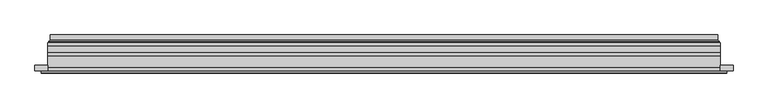
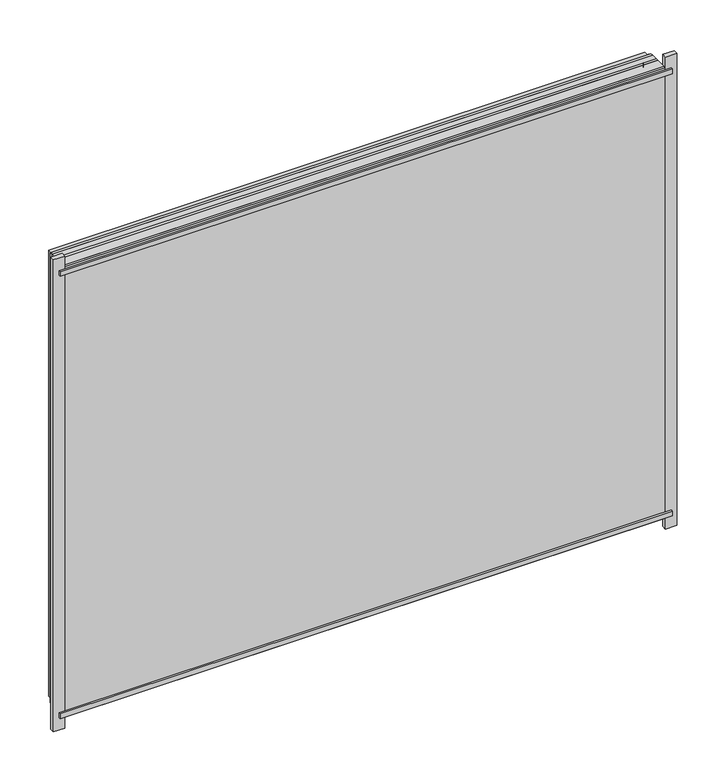
"""IFC4 building model written with IfcOpenShell, lengths in millimetres: plate geometry."""

from ifc_helpers import new_model, si_unit, frame, origin, place, context, project, spatial, polyline, ellipse_curve, outline, extrude, source, transform, mapped, element, save
from ifc_brep_helpers import plane_surface, cylinder_surface, revolved_surface, advanced_brep


def plate_6d37d1eb(model_context):
    return source(origin(), model_context, "Body", "SolidModel", [
        extrude(outline(polyline([(28.0, -579.0), (28.0, 579.0), (936.0000001, 579.0), (936.0000001, -579.0), (28.0, -579.0)]), holes=[polyline([(33.0, 574.0), (33.0, -574.0), (931.0000001, -574.0), (931.0000001, 574.0), (33.0, 574.0)])]), frame((0.0, 0.0, 0.0), z_axis=(0.0, 1.0, 0.0), x_axis=(0.0, 0.0, 1.0)), (0.0, 0.0, 1.0), 12.0),
        extrude(outline(polyline([(6.0, -601.0), (6.0, 601.0), (958.0000001, 601.0), (958.0000001, -601.0), (6.0, -601.0)]), holes=[polyline([(28.0, 579.0), (28.0, -579.0), (936.0000001, -579.0), (936.0000001, 579.0), (28.0, 579.0)])]), frame((0.0, -26.0, 0.0), z_axis=(0.0, 1.0, 0.0), x_axis=(0.0, 0.0, 1.0)), (0.0, 0.0, 1.0), 20.0),
        extrude(outline(polyline([(6.0, -601.0), (6.0, 601.0), (958.0000001, 601.0), (958.0000001, -601.0), (6.0, -601.0)]), holes=[polyline([(28.0, 579.0), (28.0, -579.0), (936.0000001, -579.0), (936.0000001, 579.0), (28.0, 579.0)])]), frame((0.0, -26.0, 0.0), z_axis=(0.0, 1.0, 0.0), x_axis=(0.0, 0.0, 1.0)), (0.0, 0.0, 1.0), 20.0),
        extrude(outline(polyline([(601.0, -6.0), (-601.0, -6.0), (-601.0, 0.0), (601.0, 0.0), (601.0, -6.0)])), frame((0.0, 0.0, 6.0), z_axis=(0.0, 0.0, 1.0), x_axis=(1.0, 0.0, 0.0)), (0.0, 0.0, 1.0), 952.0000001),
        extrude(outline(polyline([(612.5, -36.0), (-612.5, -36.0), (-612.5, -32.0), (612.5, -32.0), (612.5, -36.0)])), frame((0.0, 0.0, 944.5000001), z_axis=(0.0, 0.0, 1.0), x_axis=(1.0, 0.0, 0.0)), (0.0, 0.0, 1.0), 10.0),
        extrude(outline(polyline([(612.5, -36.0), (-612.5, -36.0), (-612.5, -32.0), (612.5, -32.0), (612.5, -36.0)])), frame((0.0, 0.0, 9.5), z_axis=(0.0, 0.0, 1.0), x_axis=(1.0, 0.0, 0.0)), (0.0, 0.0, 1.0), 10.0),
        extrude(outline(polyline([(-624.0, -32.0), (-624.0, -22.51), (-601.0, -22.51), (-601.0, -32.0), (-624.0, -32.0)])), frame((0.0, 0.0, -17.0), z_axis=(0.0, 0.0, 1.0), x_axis=(1.0, 0.0, 0.0)), (0.0, 0.0, 1.0), 998.0000001),
        extrude(outline(polyline([(624.0, -32.0), (601.0, -32.0), (601.0, -22.51), (624.0, -22.51), (624.0, -32.0)])), frame((0.0, 0.0, -17.0), z_axis=(0.0, 0.0, 1.0), x_axis=(1.0, 0.0, 0.0)), (0.0, 0.0, 1.0), 998.0000001),
        extrude(outline(polyline([(6.0, -601.0), (6.0, 601.0), (958.0000001, 601.0), (958.0000001, -601.0), (6.0, -601.0)]), holes=[polyline([(28.0, 579.0), (28.0, -579.0), (936.0000001, -579.0), (936.0000001, 579.0), (28.0, 579.0)])]), frame((0.0, 0.0, 0.0), z_axis=(0.0, 1.0, 0.0), x_axis=(0.0, 0.0, 1.0)), (0.0, 0.0, 1.0), 12.0),
        extrude(outline(polyline([(28.0, -579.0), (28.0, 579.0), (936.0000001, 579.0), (936.0000001, -579.0), (28.0, -579.0)]), holes=[polyline([(33.0, 574.0), (33.0, -574.0), (931.0000001, -574.0), (931.0000001, 574.0), (33.0, 574.0)])]), frame((0.0, -26.0, 0.0), z_axis=(0.0, 1.0, 0.0), x_axis=(0.0, 0.0, 1.0)), (0.0, 0.0, 1.0), 20.0),
        extrude(outline(polyline([(601.0, 18.0), (601.0, 12.0), (-601.0, 12.0), (-601.0, 18.0), (601.0, 18.0)])), frame((0.0, 0.0, 6.0), z_axis=(0.0, 0.0, 1.0), x_axis=(1.0, 0.0, 0.0)), (0.0, 0.0, 1.0), 952.0000001),
        extrude(outline(polyline([(-601.0, -32.0), (-601.0, -26.0), (601.0, -26.0), (601.0, -32.0), (-601.0, -32.0)])), frame((0.0, 0.0, 6.0), z_axis=(0.0, 0.0, 1.0), x_axis=(1.0, 0.0, 0.0)), (0.0, 0.0, 1.0), 952.0000001),
        advanced_brep(
        [(587.5000103, 32.0, 19.4999897), (-587.5000103, 32.0, 19.4999897), (-587.5000103, 21.9110895, 19.4999897), (587.5000103, 21.9110895, 19.4999897), (596.4986526, 23.3044663, 10.5013474), (-596.4986526, 23.3044663, 10.5013474), (-596.4986526, 32.0, 10.5013474), (596.4986526, 32.0, 10.5013474), (598.1689727, 20.9442833, 8.8310273), (-598.1689727, 20.9442833, 8.8310273), (597.7544044, 18.0034569, 9.2455956), (-597.7544044, 18.0034569, 9.2455956), (586.5620948, 20.2163959, 20.4379052), (-586.5620948, 20.2163959, 20.4379052), (-587.1992268, 18.0000006, 19.8007732), (587.1992268, 18.0000006, 19.8007732), (-587.5000103, 32.0, 944.5000104), (-587.5000103, 21.9110895, 944.5000104), (-596.4986526, 23.3044663, 953.4986527), (-596.4986526, 32.0, 953.4986527), (-598.1689727, 20.9442833, 955.1689729), (-597.7544044, 18.0034569, 954.7544045), (-586.5620948, 20.2163959, 943.5620949), (-587.1992268, 18.0000006, 944.1992269), (587.5000103, 32.0, 944.5000104), (587.5000103, 21.9110895, 944.5000104), (596.4986526, 23.3044663, 953.4986527), (596.4986526, 32.0, 953.4986527), (598.1689727, 20.9442833, 955.1689729), (597.7544044, 18.0034569, 954.7544045), (586.5620948, 20.2163959, 943.5620949), (587.1992268, 18.0000006, 944.1992269)],
        [
            (0, 1),
            (1, 2),
            (2, 3),
            (3, 0),
            (4, 5),
            (5, 6),
            (6, 7),
            (7, 4),
            (8, 9),
            (9, 5, ellipse_curve(frame((-598.8086832, 23.1681522, 8.1913168), z_axis=(-0.7071067811865475, 0.0, 0.7071067811865475), x_axis=(-0.7071067811865476, 0.0, -0.7071067811865474)), 3.2725594, 2.314049)),
            (4, 8, ellipse_curve(frame((598.8086832, 23.1681522, 8.1913168), z_axis=(0.7071067811865475, 0.0, 0.7071067811865475), x_axis=(-0.7071067811865476, 0.0, 0.7071067811865474)), 3.2725594, 2.314049)),
            (10, 11),
            (11, 9, ellipse_curve(frame((-597.7544044, 19.5030909, 9.2455956), z_axis=(0.7071067811865475, 0.0, -0.7071067811865475), x_axis=(0.7071067811865476, 0.0, 0.7071067811865474)), 2.1208028, 1.4996341)),
            (8, 10, ellipse_curve(frame((597.7544044, 19.5030909, 9.2455956), z_axis=(-0.7071067811865475, 0.0, -0.7071067811865475), x_axis=(0.7071067811865476, 0.0, -0.7071067811865474)), 2.1208028, 1.4996341)),
            (12, 13),
            (13, 14, ellipse_curve(frame((-587.1992268, 19.1997743, 19.8007732), z_axis=(0.7071067811865475, 0.0, -0.7071067811865475), x_axis=(0.7071067811865476, 0.0, 0.7071067811865474)), 1.6967361, 1.1997736)),
            (14, 15),
            (15, 12, ellipse_curve(frame((587.1992268, 19.1997743, 19.8007732), z_axis=(-0.7071067811865475, 0.0, -0.7071067811865475), x_axis=(0.7071067811865476, 0.0, -0.7071067811865474)), 1.6967361, 1.1997736)),
            (2, 13, ellipse_curve(frame((-585.5000051, 21.9110895, 21.4999949), z_axis=(-0.7071067811865475, 0.0, 0.7071067811865475), x_axis=(-0.7071067811865476, 0.0, -0.7071067811865474)), 2.8284345, 2.0000052)),
            (12, 3, ellipse_curve(frame((585.5000051, 21.9110895, 21.4999949), z_axis=(0.7071067811865475, 0.0, 0.7071067811865475), x_axis=(-0.7071067811865476, 0.0, 0.7071067811865474)), 2.8284345, 2.0000052)),
            (1, 16),
            (16, 17),
            (17, 2),
            (5, 18),
            (18, 19),
            (19, 6),
            (9, 20),
            (20, 18, ellipse_curve(frame((-598.8086832, 23.1681522, 955.8086833), z_axis=(0.7071067811865475, 0.0, 0.7071067811865475), x_axis=(-0.7071067811865474, 0.0, 0.7071067811865476)), 3.2725594, 2.314049)),
            (11, 21),
            (21, 20, ellipse_curve(frame((-597.7544044, 19.5030909, 954.7544045), z_axis=(-0.7071067811865475, 0.0, -0.7071067811865475), x_axis=(0.7071067811865474, 0.0, -0.7071067811865476)), 2.1208028, 1.4996341)),
            (13, 22),
            (22, 23, ellipse_curve(frame((-587.1992268, 19.1997743, 944.1992269), z_axis=(-0.7071067811865475, 0.0, -0.7071067811865475), x_axis=(0.7071067811865474, 0.0, -0.7071067811865476)), 1.6967361, 1.1997736)),
            (23, 14),
            (17, 22, ellipse_curve(frame((-585.5000051, 21.9110895, 942.5000052), z_axis=(0.7071067811865475, 0.0, 0.7071067811865475), x_axis=(-0.7071067811865474, 0.0, 0.7071067811865476)), 2.8284345, 2.0000052)),
            (16, 24),
            (24, 25),
            (25, 17),
            (18, 26),
            (26, 27),
            (27, 19),
            (20, 28),
            (28, 26, ellipse_curve(frame((598.8086832, 23.1681522, 955.8086833), z_axis=(0.7071067811865475, 0.0, -0.7071067811865475), x_axis=(0.7071067811865476, 0.0, 0.7071067811865474)), 3.2725594, 2.314049)),
            (21, 29),
            (29, 28, ellipse_curve(frame((597.7544044, 19.5030909, 954.7544045), z_axis=(-0.7071067811865475, 0.0, 0.7071067811865475), x_axis=(-0.7071067811865476, 0.0, -0.7071067811865474)), 2.1208028, 1.4996341)),
            (22, 30),
            (30, 31, ellipse_curve(frame((587.1992268, 19.1997743, 944.1992269), z_axis=(-0.7071067811865475, 0.0, 0.7071067811865475), x_axis=(-0.7071067811865476, 0.0, -0.7071067811865474)), 1.6967361, 1.1997736)),
            (31, 23),
            (25, 30, ellipse_curve(frame((585.5000051, 21.9110895, 942.5000052), z_axis=(0.7071067811865475, 0.0, -0.7071067811865475), x_axis=(0.7071067811865476, 0.0, 0.7071067811865474)), 2.8284345, 2.0000052)),
            (24, 0),
            (3, 25),
            (26, 4),
            (7, 27),
            (28, 8),
            (29, 10),
            (31, 15),
            (30, 12),
        ],
        [
            plane_surface(frame((587.5000103, 21.9110895, 19.4999897), z_axis=(0.0, 0.0, 1.0), x_axis=(-1.0, 0.0, 0.0))),
            plane_surface(frame((596.4986526, 32.0, 10.5013474), z_axis=(0.0, 0.0, -1.0), x_axis=(-1.0, 0.0, 0.0))),
            revolved_surface(polyline([(-601.1227321435756, 25.482201200000002, 8.1913168), (601.1227321435758, 25.482201200000002, 8.1913168)]), (587.5, 23.1681522, 8.1913168), (-1.0, 0.0, 0.0)),
            cylinder_surface(frame((587.5, 19.5030909, 9.2455956), z_axis=(1.0, 0.0, 0.0), x_axis=(0.0, 1.0, 0.0)), 1.4996341),
            cylinder_surface(frame((587.5, 19.1997743, 19.8007732), z_axis=(1.0, 0.0, 0.0), x_axis=(0.0, 1.0, 0.0)), 1.1997736),
            revolved_surface(polyline([(-587.5000103150919, 23.9110947, 21.4999949), (587.5000103150919, 23.9110947, 21.4999949)]), (587.5, 21.9110895, 21.4999949), (-1.0, 0.0, 0.0)),
            plane_surface(frame((-587.5000103, 21.9110895, 19.4999897), z_axis=(1.0, 0.0, 0.0), x_axis=(0.0, 0.0, 1.0))),
            plane_surface(frame((-596.4986526, 32.0, 10.5013474), z_axis=(-1.0, 0.0, 0.0), x_axis=(0.0, 0.0, 1.0))),
            revolved_surface(polyline([(-598.8086832, 25.482201200000002, 958.1227322435758), (-598.8086832, 25.482201200000002, 5.87726785642422)]), (-598.8086832, 23.1681522, 19.5), (0.0, 0.0, 1.0)),
            cylinder_surface(frame((-597.7544044, 19.5030909, 19.5), z_axis=(0.0, 0.0, -1.0), x_axis=(0.0, 1.0, 0.0)), 1.4996341),
            cylinder_surface(frame((-587.1992268, 19.1997743, 19.5), z_axis=(0.0, 0.0, -1.0), x_axis=(0.0, 1.0, 0.0)), 1.1997736),
            revolved_surface(polyline([(-585.5000051, 23.9110947, 944.500010415092), (-585.5000051, 23.9110947, 19.49998968490802)]), (-585.5000051, 21.9110895, 19.5), (0.0, 0.0, 1.0)),
            plane_surface(frame((-587.5000103, 21.9110895, 944.5000104), z_axis=(0.0, 0.0, -1.0), x_axis=(1.0, 0.0, 0.0))),
            plane_surface(frame((-596.4986526, 32.0, 953.4986527), z_axis=(0.0, 0.0, 1.0), x_axis=(1.0, 0.0, 0.0))),
            revolved_surface(polyline([(601.1227321435756, 25.482201200000002, 955.8086833), (-601.1227321435758, 25.482201200000002, 955.8086833)]), (-587.5, 23.1681522, 955.8086833), (1.0, 0.0, 0.0)),
            cylinder_surface(frame((-587.5, 19.5030909, 954.7544045), z_axis=(-1.0, 0.0, 0.0), x_axis=(0.0, 1.0, 0.0)), 1.4996341),
            cylinder_surface(frame((-587.5, 19.1997743, 944.1992269), z_axis=(-1.0, 0.0, 0.0), x_axis=(0.0, 1.0, 0.0)), 1.1997736),
            revolved_surface(polyline([(587.5000103150919, 23.9110947, 942.5000052), (-587.5000103150919, 23.9110947, 942.5000052)]), (-587.5, 21.9110895, 942.5000052), (1.0, 0.0, 0.0)),
            plane_surface(frame((587.5000103, 21.9110895, 944.5000104), z_axis=(-1.0, 0.0, 0.0), x_axis=(0.0, 0.0, -1.0))),
            plane_surface(frame((596.4986526, 32.0, 953.4986527), z_axis=(1.0, 0.0, 0.0), x_axis=(0.0, 0.0, -1.0))),
            revolved_surface(polyline([(598.8086832, 25.482201200000002, 5.877267856424169), (598.8086832, 25.482201200000002, 958.1227322435758)]), (598.8086832, 23.1681522, 944.5000001), (0.0, 0.0, -1.0)),
            cylinder_surface(frame((597.7544044, 19.5030909, 944.5000001), z_axis=(0.0, 0.0, 1.0), x_axis=(0.0, 1.0, 0.0)), 1.4996341),
            plane_surface(frame((597.7544044, 18.0000006, 954.7544045), z_axis=(0.0, -1.0, 0.0), x_axis=(0.0, 0.0, -1.0))),
            cylinder_surface(frame((587.1992268, 19.1997743, 944.5000001), z_axis=(0.0, 0.0, 1.0), x_axis=(0.0, 1.0, 0.0)), 1.1997736),
            revolved_surface(polyline([(585.5000051, 23.9110947, 19.499989684908087), (585.5000051, 23.9110947, 944.500010415092)]), (585.5000051, 21.9110895, 944.5000001), (0.0, 0.0, -1.0)),
            plane_surface(frame((587.5000103, 32.0, 944.5000104), z_axis=(0.0, 1.0, 0.0), x_axis=(0.0, 0.0, -1.0))),
        ],
        [
            (0, [[1, 2, 3, 4]]),
            (1, [[5, 6, 7, 8]]),
            (2, [[9, 10, -5, 11]]),
            (3, [[12, 13, -9, 14]]),
            (4, [[15, 16, 17, 18]]),
            (5, [[-3, 19, -15, 20]]),
            (6, [[21, 22, 23, -2]]),
            (7, [[24, 25, 26, -6]]),
            (8, [[27, 28, -24, -10]]),
            (9, [[29, 30, -27, -13]]),
            (10, [[31, 32, 33, -16]]),
            (11, [[-23, 34, -31, -19]]),
            (12, [[35, 36, 37, -22]]),
            (13, [[38, 39, 40, -25]]),
            (14, [[41, 42, -38, -28]]),
            (15, [[43, 44, -41, -30]]),
            (16, [[45, 46, 47, -32]]),
            (17, [[-37, 48, -45, -34]]),
            (18, [[49, -4, 50, -36]]),
            (19, [[51, -8, 52, -39]]),
            (20, [[53, -11, -51, -42]]),
            (21, [[54, -14, -53, -44]]),
            (22, [[-12, -54, -43, -29], [-17, -33, -47, 55]]),
            (23, [[56, -18, -55, -46]]),
            (24, [[-50, -20, -56, -48]]),
            (25, [[-7, -26, -40, -52], [-1, -49, -35, -21]]),
        ],
    ),
    ])


if __name__ == "__main__":
    model = new_model("IFC4")
    model_context = context("Model", 3, world=origin())
    ifc_project = project(units=[si_unit("LENGTHUNIT", "METRE", prefix="MILLI")], contexts=[model_context])
    site = spatial("IfcSite", under=ifc_project)
    building = spatial("IfcBuilding", under=site)
    placement = place(None, origin())
    plate_shape = plate_6d37d1eb(model_context)
    element("IfcPlate", 1, at=placement, inside=building, context=model_context, shape_type="MappedRepresentation", body=[
        mapped(plate_shape, transform((0.0, 0.0, 0.0), x_axis=(1.0, 0.0, 0.0), y_axis=(0.0, 1.0, 0.0), z_axis=(0.0, 0.0, 1.0))),
    ])
    save(model, "model.ifc")
